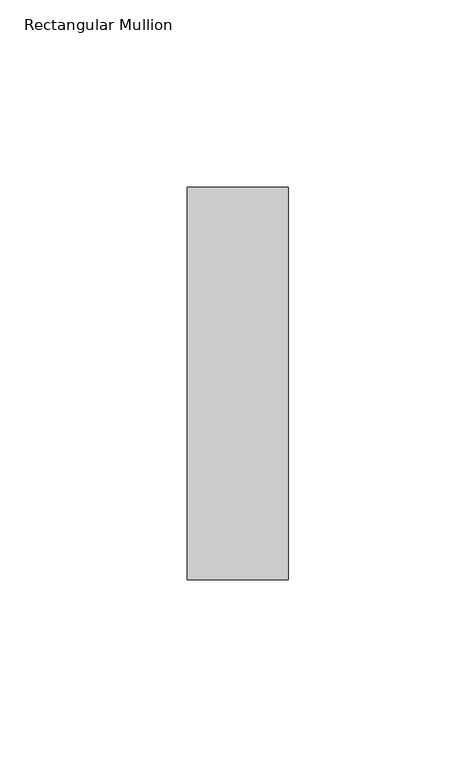
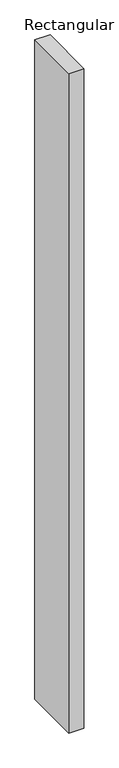
"""IFC4 building model written with IfcOpenShell, lengths in millimetres: member geometry, Rectangular Mullion."""

from ifc_helpers import new_model, si_unit, frame, origin, place, context, project, spatial, polyline, outline, extrude, source, transform, mapped, element, save


def rectangular_mullion_899d97ef(model_context):
    return source(origin(), model_context, "Body", "SweptSolid", [
        extrude(outline(polyline([(0.0, 52.3975), (0.0, -52.3975), (-27.0, -52.3975), (-27.0, 52.3975), (0.0, 52.3975)])), frame((0.0, 0.0, -1246.0), z_axis=(0.0, 0.0, 1.0), x_axis=(1.0, 0.0, 0.0)), (0.0, 0.0, 1.0), 1246.0),
    ])


if __name__ == "__main__":
    model = new_model("IFC4")
    model_context = context("Model", 3, world=origin())
    ifc_project = project(units=[si_unit("LENGTHUNIT", "METRE", prefix="MILLI")], contexts=[model_context])
    site = spatial("IfcSite", under=ifc_project)
    building = spatial("IfcBuilding", under=site)
    placement = place(None, origin())
    rectangular_mullion_shape = rectangular_mullion_899d97ef(model_context)
    element("IfcMember", 1, ObjectType="Rectangular Mullion", at=placement, inside=building, context=model_context, shape_type="MappedRepresentation", body=[
        mapped(rectangular_mullion_shape, transform((0.0, 0.0, 0.0), x_axis=(1.0, 0.0, 0.0), y_axis=(0.0, 1.0, 0.0), z_axis=(0.0, 0.0, 1.0))),
    ])
    save(model, "model.ifc")
